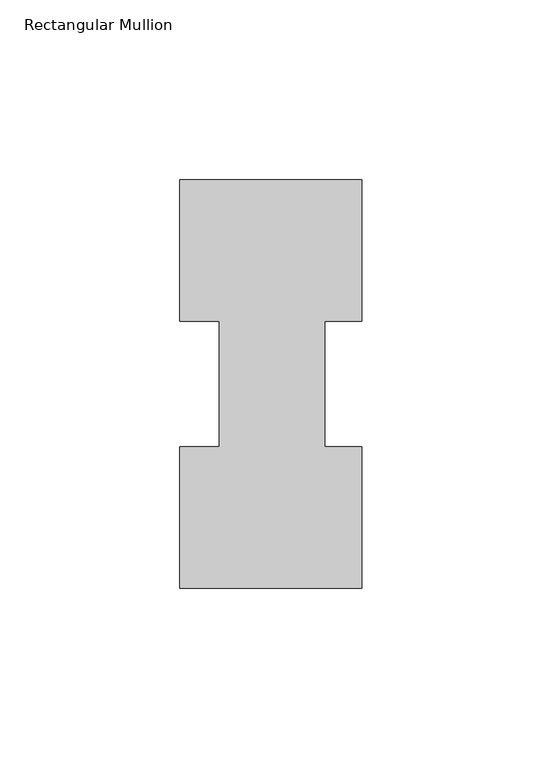
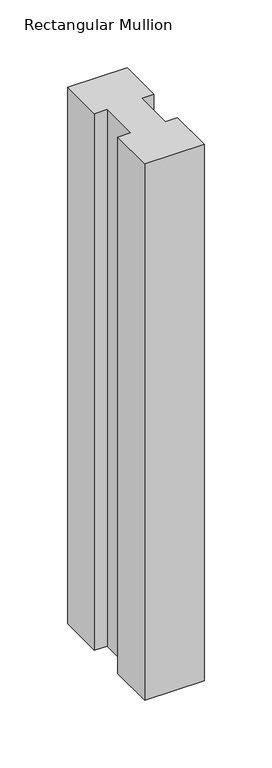
"""IFC4 building model written with IfcOpenShell, lengths in millimetres: member geometry, Rectangular Mullion."""

from ifc_helpers import new_model, si_unit, frame, origin, place, context, project, spatial, polyline, outline, extrude, source, transform, mapped, element, save


def rectangular_mullion_267ec01d(model_context):
    return source(origin(), model_context, "Body", "SweptSolid", [
        extrude(outline(polyline([(-50.8, 114.017425), (0.0, 114.017425), (0.0, 74.596625), (-10.3124, 74.596625), (-10.3124, 39.646225), (0.0, 39.646225), (0.0, 0.225425), (-50.8, 0.225425), (-50.8, 39.646225), (-39.6875, 39.646225), (-39.6875, 74.596625), (-50.8, 74.596625), (-50.8, 114.017425)])), frame((0.0, 0.0, -484.5062991), z_axis=(0.0, 0.0, 1.0), x_axis=(1.0, 0.0, 0.0)), (0.0, 0.0, 1.0), 484.5062991),
    ])


if __name__ == "__main__":
    model = new_model("IFC4")
    model_context = context("Model", 3, world=origin())
    ifc_project = project(units=[si_unit("LENGTHUNIT", "METRE", prefix="MILLI")], contexts=[model_context])
    site = spatial("IfcSite", under=ifc_project)
    building = spatial("IfcBuilding", under=site)
    placement = place(None, origin())
    rectangular_mullion_shape = rectangular_mullion_267ec01d(model_context)
    element("IfcMember", 1, ObjectType="Rectangular Mullion", at=placement, inside=building, context=model_context, shape_type="MappedRepresentation", body=[
        mapped(rectangular_mullion_shape, transform((0.0, 0.0, 0.0), x_axis=(1.0, 0.0, 0.0), y_axis=(0.0, 1.0, 0.0), z_axis=(0.0, 0.0, 1.0))),
    ])
    save(model, "model.ifc")
